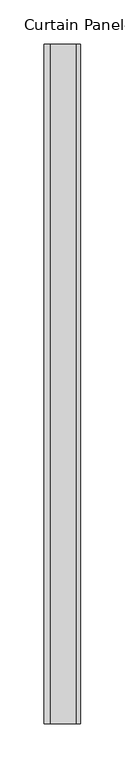
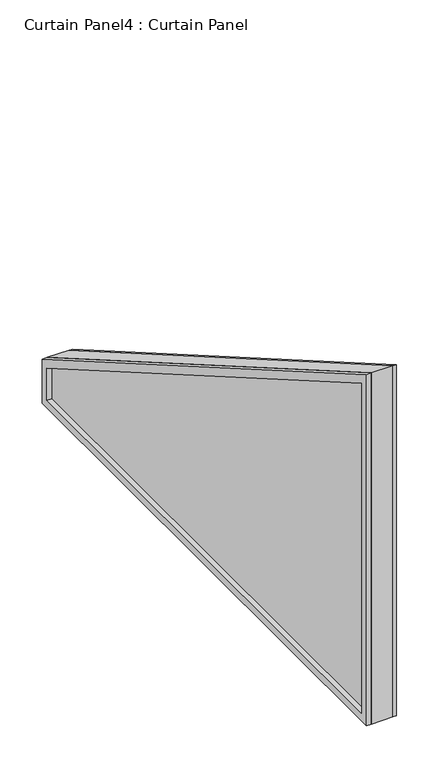
"""IFC4 building model written with IfcOpenShell, lengths in millimetres: plate geometry, Curtain Panel4 : Curtain Panel."""

import ifcopenshell
import ifcopenshell.guid

model = None  # the IFC model being written
_history = None  # IfcOwnerHistory: only IFC2X3 demands one
_inside = {}  # id of a spatial element -> (the spatial element, [elements in it])
_under = {}  # id of a project, library or spatial element -> (it, [spatial elements below it])
_declared = {}  # id of a project -> (the project, [libraries it declares])
_typed = {}  # id of a type object -> (the type object, [elements of that type])
_made_of = {}  # id of a material, layer set ... -> (it, [elements and type objects made of it])


def new_model(schema):
    """Start an empty IFC model of exactly this schema.

    Asked for "IFC4X3", IfcOpenShell would pick the latest addendum, in which some entities
    have other attributes; the version numbers below select the first issue.
    IFC2X3 requires an IfcOwnerHistory on every rooted entity: one is made here for all.
    """
    global model, _history
    if schema == "IFC4X3":
        model = ifcopenshell.file(schema_version=(4, 3, 0, 0))
    else:
        model = ifcopenshell.file(schema=schema)
    _inside.clear()
    _under.clear()
    _declared.clear()
    _typed.clear()
    _made_of.clear()
    _history = None
    if model.schema == "IFC2X3":
        org = make("IfcOrganization", Name="unknown")
        user = make(
            "IfcPersonAndOrganization",
            ThePerson=make("IfcPerson", FamilyName="unknown"),
            TheOrganization=org,
        )
        app = make(
            "IfcApplication",
            ApplicationDeveloper=org,
            Version="unknown",
            ApplicationFullName="unknown",
            ApplicationIdentifier="unknown",
        )
        _history = make(
            "IfcOwnerHistory",
            OwningUser=user,
            OwningApplication=app,
            ChangeAction="ADDED",
            CreationDate=0,
        )
    return model


def make(cls, **values):
    """One entity of the class cls with the attributes given. An attribute that is None is left unset."""
    return model.create_entity(
        cls, **{name: value for name, value in values.items() if value is not None}
    )


def rooted(cls, **values):
    """An entity with a GlobalId (a new one), such as an element, a storey or a relation."""
    return make(cls, GlobalId=ifcopenshell.guid.new(), OwnerHistory=_history, **values)


def si_unit(unit_type, name, prefix=None):
    """IfcSIUnit, for example si_unit("LENGTHUNIT", "METRE", prefix="MILLI")."""
    return make("IfcSIUnit", UnitType=unit_type, Prefix=prefix, Name=name)


def assignment(units):
    """IfcUnitAssignment: the units of a project."""
    return None if units is None else make("IfcUnitAssignment", Units=units)


def point(xyz):
    """IfcCartesianPoint."""
    return None if xyz is None else make("IfcCartesianPoint", Coordinates=xyz)


def direction(xyz):
    """IfcDirection."""
    return None if xyz is None else make("IfcDirection", DirectionRatios=xyz)


def frame(location, z_axis=None, x_axis=None):
    """IfcAxis2Placement3D, a coordinate frame: its origin and axes. An axis left out is left unset."""
    return make(
        "IfcAxis2Placement3D",
        Location=point(location),
        Axis=direction(z_axis),
        RefDirection=direction(x_axis),
    )


def origin():
    """The frame at (0, 0, 0) with its axes left unset."""
    return frame((0.0, 0.0, 0.0))


def place(relative_to, where):
    """IfcLocalPlacement: puts the frame where relative to a parent placement (None: the world)."""
    return make(
        "IfcLocalPlacement", PlacementRelTo=relative_to, RelativePlacement=where
    )


def context(
    kind, dimensions, precision=None, world=None, true_north=None, identifier=None
):
    """IfcGeometricRepresentationContext, for example the 3D "Model" context."""
    return make(
        "IfcGeometricRepresentationContext",
        ContextIdentifier=identifier,
        ContextType=kind,
        CoordinateSpaceDimension=dimensions,
        Precision=precision,
        WorldCoordinateSystem=world,
        TrueNorth=true_north,
    )


def project(units=None, contexts=None):
    """IfcProject with its units and contexts."""
    return rooted(
        "IfcProject",
        Name="project",
        RepresentationContexts=contexts,
        UnitsInContext=assignment(units),
    )


def spatial(cls, under=None, at=None, **own):
    """A site, building, storey or space (cls), placed at a placement, below another one or the project."""
    s = rooted(cls, ObjectPlacement=at, **own)
    if under is not None:
        _under.setdefault(under.id(), (under, []))[1].append(s)
    return s


def polyline(points):
    """IfcPolyline through the points."""
    return make("IfcPolyline", Points=[point(p) for p in points])


def outline(outer, holes=None, kind="AREA"):
    """IfcArbitraryClosedProfileDef: a profile drawn as a closed curve; with holes, ...WithVoids."""
    if holes is None:
        return make("IfcArbitraryClosedProfileDef", ProfileType=kind, OuterCurve=outer)
    return make(
        "IfcArbitraryProfileDefWithVoids",
        ProfileType=kind,
        OuterCurve=outer,
        InnerCurves=holes,
    )


def extrude(swept, where, along, depth):
    """IfcExtrudedAreaSolid: the profile swept, set in the frame where, extruded along a direction by depth."""
    return make(
        "IfcExtrudedAreaSolid",
        SweptArea=swept,
        Position=where,
        ExtrudedDirection=direction(along),
        Depth=depth,
    )


def shape(context_of_items, identifier, shape_type, items):
    """IfcShapeRepresentation: the items that make up one representation, for example the "Body"."""
    return make(
        "IfcShapeRepresentation",
        ContextOfItems=context_of_items,
        RepresentationIdentifier=identifier,
        RepresentationType=shape_type,
        Items=items,
    )


def source(mapping_origin, context_of_items, identifier, shape_type, items):
    """IfcRepresentationMap: a shape defined once, which mapped items show again and again."""
    return make(
        "IfcRepresentationMap",
        MappingOrigin=mapping_origin,
        MappedRepresentation=shape(context_of_items, identifier, shape_type, items),
    )


def transform(
    local_origin,
    x_axis=None,
    y_axis=None,
    z_axis=None,
    scale=None,
    scale2=None,
    scale3=None,
    uniform=True,
):
    """IfcCartesianTransformationOperator3D, or its non-uniform kind. x_axis, y_axis, z_axis: its Axis1, 2, 3."""
    if uniform:
        return make(
            "IfcCartesianTransformationOperator3D",
            Axis1=direction(x_axis),
            Axis2=direction(y_axis),
            LocalOrigin=point(local_origin),
            Scale=scale,
            Axis3=direction(z_axis),
        )
    return make(
        "IfcCartesianTransformationOperator3DnonUniform",
        Axis1=direction(x_axis),
        Axis2=direction(y_axis),
        LocalOrigin=point(local_origin),
        Scale=scale,
        Axis3=direction(z_axis),
        Scale2=scale2,
        Scale3=scale3,
    )


def mapped(mapping_source, mapping_target):
    """IfcMappedItem: shows the shape of a source again, moved by a transform."""
    return make(
        "IfcMappedItem", MappingSource=mapping_source, MappingTarget=mapping_target
    )


def made_of(thing, what):
    """Note that an element or type object is made of a material, layer set ...; save() writes the relation."""
    if what is not None:
        _made_of.setdefault(what.id(), (what, []))[1].append(thing)
    return thing


def element(
    cls,
    number,
    at=None,
    inside=None,
    cuts=None,
    type_object=None,
    material=None,
    context=None,
    identifier="Body",
    shape_type=None,
    held_by="IfcProductDefinitionShape",
    body=None,
    shapes=None,
    **own,
):
    """One element of the class cls, such as IfcWall. Its Tag is "e" and its number.

    at: its placement. inside: the storey or other place that contains it. cuts: it is an
    opening in that element (IfcRelVoidsElement). A single representation is given by context,
    identifier, shape_type and body (its items); several are given by shapes. held_by: the class
    of the entity that holds the representations. save() writes the other relations.
    """
    e = rooted(cls, Tag="e%d" % number, ObjectPlacement=at, **own)
    if body is not None:
        shapes = [shape(context, identifier, shape_type, body)]
    if shapes is not None:
        e.Representation = make(held_by, Representations=shapes)
    if inside is not None:
        _inside.setdefault(inside.id(), (inside, []))[1].append(e)
    if cuts is not None:
        rooted(
            "IfcRelVoidsElement", RelatingBuildingElement=cuts, RelatedOpeningElement=e
        )
    if type_object is not None:
        _typed.setdefault(type_object.id(), (type_object, []))[1].append(e)
    return made_of(e, material)


def aggregate(whole, parts):
    """IfcRelAggregates: a whole, such as a stair, and the parts it consists of."""
    return rooted("IfcRelAggregates", RelatingObject=whole, RelatedObjects=parts)


def save(model, path):
    """Write the relations noted so far, then the file.

    IfcRelAggregates (storeys below a building ...), IfcRelContainedInSpatialStructure (elements
    in a storey), IfcRelDefinesByType, IfcRelAssociatesMaterial and IfcRelDeclares: one each for
    every whole, place, type object, material and project.
    """
    for whole, parts in _under.values():
        aggregate(whole, parts)
    for where, things in _inside.values():
        rooted(
            "IfcRelContainedInSpatialStructure",
            RelatedElements=things,
            RelatingStructure=where,
        )
    for kind, things in _typed.values():
        rooted("IfcRelDefinesByType", RelatedObjects=things, RelatingType=kind)
    for what, things in _made_of.values():
        rooted("IfcRelAssociatesMaterial", RelatedObjects=things, RelatingMaterial=what)
    for by, libraries in _declared.values():
        rooted("IfcRelDeclares", RelatingContext=by, RelatedDefinitions=libraries)
    model.write(path)


def curtain_panel4_curtain_panel_35851d87(model_context):
    return source(origin(), model_context, "Body", "SweptSolid", [
        extrude(outline(polyline([(-20232.100174, 1148.4649543), (-19463.8073778, 704.8909015), (-19463.8073778, 640.7528117), (-20232.100174, 640.7528117), (-20232.100174, 1148.4649543)]), holes=[polyline([(-20220.9943726, 651.8586131), (-19474.9131792, 651.8586131), (-19474.9131792, 698.4789641), (-20220.9943726, 1129.2291419), (-20220.9943726, 651.8586131)])]), frame((12059.7409534, 0.0, 0.0), z_axis=(1.0, 0.0, 0.0), x_axis=(0.0, 1.0, 0.0)), (0.0, 0.0, 1.0), 4.8807891),
        extrude(outline(polyline([(-20232.100174, 1148.4649543), (-19463.8073778, 704.8909015), (-19463.8073778, 640.7528117), (-20232.100174, 640.7528117), (-20232.100174, 1148.4649543)]), holes=[polyline([(-20220.9943726, 651.8586131), (-19474.9131792, 651.8586131), (-19474.9131792, 698.4789641), (-20220.9943726, 1129.2291419), (-20220.9943726, 651.8586131)])]), frame((12023.0903612, 0.0, 0.0), z_axis=(1.0, 0.0, 0.0), x_axis=(0.0, 1.0, 0.0)), (0.0, 0.0, 1.0), 6.7440828),
        extrude(outline(polyline([(-20232.100174, 640.7528117), (-20232.100174, 1148.4649543), (-19463.8073778, 704.8909015), (-19463.8073778, 640.7528117), (-20232.100174, 640.7528117)])), frame((12029.8344441, 0.0, 0.0), z_axis=(1.0, 0.0, 0.0), x_axis=(0.0, 1.0, 0.0)), (0.0, 0.0, 1.0), 29.9065094),
    ])


if __name__ == "__main__":
    model = new_model("IFC4")
    model_context = context("Model", 3, world=origin())
    ifc_project = project(units=[si_unit("LENGTHUNIT", "METRE", prefix="MILLI")], contexts=[model_context])
    site = spatial("IfcSite", under=ifc_project)
    building = spatial("IfcBuilding", under=site)
    placement = place(None, origin())
    curtain_panel4_curtain_panel_shape = curtain_panel4_curtain_panel_35851d87(model_context)
    element("IfcPlate", 1, ObjectType="Curtain Panel4 : Curtain Panel", at=placement, inside=building, context=model_context, shape_type="MappedRepresentation", body=[
        mapped(curtain_panel4_curtain_panel_shape, transform((0.0, 0.0, 0.0), x_axis=(1.0, 0.0, 0.0), y_axis=(0.0, 1.0, 0.0), z_axis=(0.0, 0.0, 1.0))),
    ])
    save(model, "model.ifc")
